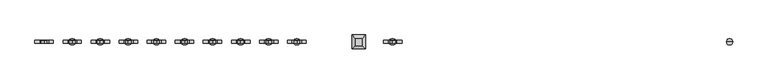
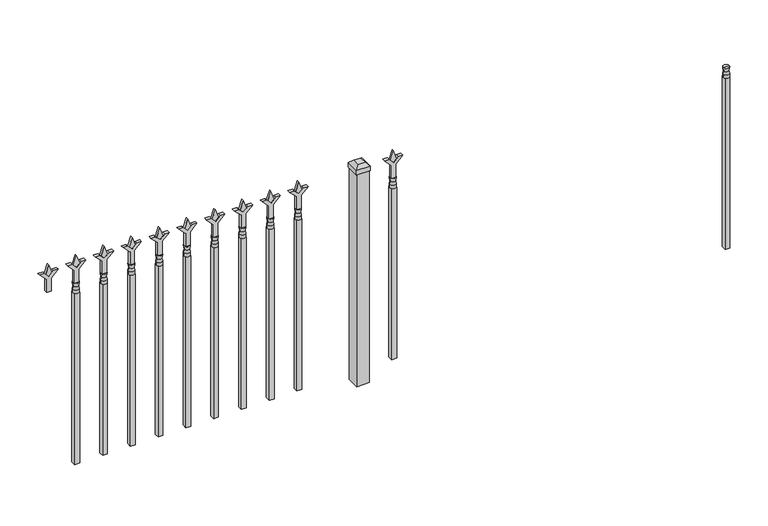
"""IFC4 building model written with IfcOpenShell, lengths in millimetres: railing geometry."""

from ifc_helpers import new_model, si_unit, frame, origin, origin_with_axes, place, context, project, spatial, polyline, circle_curve, outline, extrude, faceted_brep, source, transform, mapped, element, save
from ifc_brep_helpers import plane_surface, cylinder_surface, revolved_surface, advanced_brep


def railing_7fa76249(model_context):
    return source(origin(), model_context, "Body", "SolidModel", [
        advanced_brep(
        [(-88770.174337, -6731.2570174, 774.7), (-88793.986837, -6731.2570174, 774.7), (-88793.986837, -6731.2570174, 762.0), (-88770.174337, -6731.2570174, 762.0), (-88772.3796688, -6731.2570174, 787.2070585), (-88791.7815051, -6731.2570174, 787.2070585), (-88770.174337, -6731.2570174, 803.275), (-88793.986837, -6731.2570174, 803.275), (-88782.080587, -6731.2570174, 803.275), (-88782.080587, -6731.2570174, 762.0)],
        [
            (0, 1, circle_curve(frame((-88782.080587, -6731.2570174, 774.7), z_axis=(0.0, 0.0, -1.0), x_axis=(-1.0, 0.0, 0.0)), 11.90625)),
            (1, 2),
            (2, 3, circle_curve(frame((-88782.080587, -6731.2570174, 762.0), z_axis=(0.0, 0.0, 1.0), x_axis=(-1.0, 0.0, 0.0)), 11.90625)),
            (3, 0),
            (1, 0, circle_curve(frame((-88782.080587, -6731.2570174, 774.7), z_axis=(0.0, 0.0, -1.0), x_axis=(-1.0, 0.0, 0.0)), 11.90625)),
            (3, 2, circle_curve(frame((-88782.080587, -6731.2570174, 762.0), z_axis=(0.0, 0.0, 1.0), x_axis=(-1.0, 0.0, 0.0)), 11.90625)),
            (4, 5, circle_curve(frame((-88782.080587, -6731.2570174, 787.2070585), z_axis=(0.0, 0.0, -1.0), x_axis=(-1.0, 0.0, 0.0)), 9.7009181)),
            (5, 1),
            (0, 4),
            (5, 4, circle_curve(frame((-88782.080587, -6731.2570174, 787.2070585), z_axis=(0.0, 0.0, -1.0), x_axis=(-1.0, 0.0, 0.0)), 9.7009181)),
            (6, 7, circle_curve(frame((-88782.080587, -6731.2570174, 803.275), z_axis=(0.0, 0.0, -1.0), x_axis=(-1.0, 0.0, 0.0)), 11.90625)),
            (7, 5),
            (4, 6),
            (7, 6, circle_curve(frame((-88782.080587, -6731.2570174, 803.275), z_axis=(0.0, 0.0, -1.0), x_axis=(-1.0, 0.0, 0.0)), 11.90625)),
            (8, 7),
            (6, 8),
            (2, 9),
            (9, 3),
        ],
        [
            cylinder_surface(frame((-88782.080587, -6731.2570174, 762.0), z_axis=(0.0, 0.0, 1.0), x_axis=(-1.0, 0.0, 0.0)), 11.90625),
            revolved_surface(polyline([(-88793.986837, -6731.2570174, 774.7), (-88791.7815051, -6731.2570174, 787.2070585)]), (-88782.080587, -6731.2570174, 762.0), (0.0, 0.0, 1.0)),
            revolved_surface(polyline([(-88791.7815051, -6731.2570174, 787.2070585), (-88793.986837, -6731.2570174, 803.275)]), (-88782.080587, -6731.2570174, 762.0), (0.0, 0.0, 1.0)),
            plane_surface(frame((-88782.080587, -6731.2570174, 803.275), z_axis=(0.0, 0.0, 1.0), x_axis=(-1.0, 0.0, 0.0))),
            plane_surface(frame((-88782.080587, -6731.2570174, 762.0), z_axis=(0.0, 0.0, -1.0), x_axis=(-1.0, 0.0, 0.0))),
        ],
        [
            (0, [[1, 2, 3, 4]]),
            (0, [[5, -4, 6, -2]]),
            (1, [[7, 8, -1, 9]]),
            (1, [[10, -9, -5, -8]]),
            (2, [[11, 12, -7, 13]]),
            (2, [[14, -13, -10, -12]]),
            (3, [[15, -11, 16]]),
            (3, [[-16, -14, -15]]),
            (4, [[-3, 17, 18]]),
            (4, [[-6, -18, -17]]),
        ],
    ),
        extrude(outline(polyline([(-88791.605587, -6721.7320174), (-88772.555587, -6721.7320174), (-88772.555587, -6740.7820174), (-88791.605587, -6740.7820174), (-88791.605587, -6721.7320174)])), frame((0.0, 0.0, 50.8), z_axis=(0.0, 0.0, 1.0), x_axis=(1.0, 0.0, 0.0)), (0.0, 0.0, 1.0), 711.2),
        extrude(outline(polyline([(878.68125, -90081.449337), (914.4, -90093.355587), (878.68125, -90105.261837), (866.775, -90093.355587), (878.68125, -90081.449337)])), frame((0.0, -6736.0195174, 0.0), z_axis=(0.0, 1.0, 0.0), x_axis=(0.0, 0.0, 1.0)), (0.0, 0.0, 1.0), 9.525),
        extrude(outline(polyline([(803.275, -90084.624337), (857.5457378, -90084.624337), (884.7355122, -90057.4345625), (884.7355122, -90075.3950747), (866.775, -90093.355587), (884.7355122, -90111.3160992), (884.7355122, -90129.2766114), (857.5457378, -90102.086837), (803.275, -90102.086837), (803.275, -90084.624337)])), frame((0.0, -6737.6070174, 0.0), z_axis=(0.0, 1.0, 0.0), x_axis=(0.0, 0.0, 1.0)), (0.0, 0.0, 1.0), 12.7),
        advanced_brep(
        [(-90081.449337, -6731.2570174, 774.7), (-90105.261837, -6731.2570174, 774.7), (-90105.261837, -6731.2570174, 762.0), (-90081.449337, -6731.2570174, 762.0), (-90083.6546688, -6731.2570174, 787.2070585), (-90103.0565051, -6731.2570174, 787.2070585), (-90081.449337, -6731.2570174, 803.275), (-90105.261837, -6731.2570174, 803.275), (-90093.355587, -6731.2570174, 803.275), (-90093.355587, -6731.2570174, 762.0)],
        [
            (0, 1, circle_curve(frame((-90093.355587, -6731.2570174, 774.7), z_axis=(0.0, 0.0, -1.0), x_axis=(-1.0, 0.0, 0.0)), 11.90625)),
            (1, 2),
            (2, 3, circle_curve(frame((-90093.355587, -6731.2570174, 762.0), z_axis=(0.0, 0.0, 1.0), x_axis=(-1.0, 0.0, 0.0)), 11.90625)),
            (3, 0),
            (1, 0, circle_curve(frame((-90093.355587, -6731.2570174, 774.7), z_axis=(0.0, 0.0, -1.0), x_axis=(-1.0, 0.0, 0.0)), 11.90625)),
            (3, 2, circle_curve(frame((-90093.355587, -6731.2570174, 762.0), z_axis=(0.0, 0.0, 1.0), x_axis=(-1.0, 0.0, 0.0)), 11.90625)),
            (4, 5, circle_curve(frame((-90093.355587, -6731.2570174, 787.2070585), z_axis=(0.0, 0.0, -1.0), x_axis=(-1.0, 0.0, 0.0)), 9.7009181)),
            (5, 1),
            (0, 4),
            (5, 4, circle_curve(frame((-90093.355587, -6731.2570174, 787.2070585), z_axis=(0.0, 0.0, -1.0), x_axis=(-1.0, 0.0, 0.0)), 9.7009181)),
            (6, 7, circle_curve(frame((-90093.355587, -6731.2570174, 803.275), z_axis=(0.0, 0.0, -1.0), x_axis=(-1.0, 0.0, 0.0)), 11.90625)),
            (7, 5),
            (4, 6),
            (7, 6, circle_curve(frame((-90093.355587, -6731.2570174, 803.275), z_axis=(0.0, 0.0, -1.0), x_axis=(-1.0, 0.0, 0.0)), 11.90625)),
            (8, 7),
            (6, 8),
            (2, 9),
            (9, 3),
        ],
        [
            cylinder_surface(frame((-90093.355587, -6731.2570174, 762.0), z_axis=(0.0, 0.0, 1.0), x_axis=(-1.0, 0.0, 0.0)), 11.90625),
            revolved_surface(polyline([(-90105.261837, -6731.2570174, 774.7), (-90103.0565051, -6731.2570174, 787.2070585)]), (-90093.355587, -6731.2570174, 762.0), (0.0, 0.0, 1.0)),
            revolved_surface(polyline([(-90103.0565051, -6731.2570174, 787.2070585), (-90105.261837, -6731.2570174, 803.275)]), (-90093.355587, -6731.2570174, 762.0), (0.0, 0.0, 1.0)),
            plane_surface(frame((-90093.355587, -6731.2570174, 803.275), z_axis=(0.0, 0.0, 1.0), x_axis=(-1.0, 0.0, 0.0))),
            plane_surface(frame((-90093.355587, -6731.2570174, 762.0), z_axis=(0.0, 0.0, -1.0), x_axis=(-1.0, 0.0, 0.0))),
        ],
        [
            (0, [[1, 2, 3, 4]]),
            (0, [[5, -4, 6, -2]]),
            (1, [[7, 8, -1, 9]]),
            (1, [[10, -9, -5, -8]]),
            (2, [[11, 12, -7, 13]]),
            (2, [[14, -13, -10, -12]]),
            (3, [[15, -11, 16]]),
            (3, [[-16, -14, -15]]),
            (4, [[-3, 17, 18]]),
            (4, [[-6, -18, -17]]),
        ],
    ),
        extrude(outline(polyline([(-90102.880587, -6721.7320174), (-90083.830587, -6721.7320174), (-90083.830587, -6740.7820174), (-90102.880587, -6740.7820174), (-90102.880587, -6721.7320174)])), frame((0.0, 0.0, 50.8), z_axis=(0.0, 0.0, 1.0), x_axis=(1.0, 0.0, 0.0)), (0.0, 0.0, 1.0), 711.2),
        faceted_brep([(-90252.105587, -6704.2695174, 901.7), (-90252.105587, -6704.2695174, 882.65), (-90252.105587, -6758.2445174, 882.65), (-90252.105587, -6758.2445174, 901.7), (-90239.405587, -6716.9695174, 914.4), (-90239.405587, -6745.5445174, 914.4), (-90198.130587, -6758.2445174, 882.65), (-90198.130587, -6758.2445174, 901.7), (-90210.830587, -6745.5445174, 914.4), (-90198.130587, -6704.2695174, 882.65), (-90198.130587, -6704.2695174, 901.7), (-90210.830587, -6716.9695174, 914.4)], [[[0, 1, 2, 3]], [[4, 0, 3, 5]], [[3, 2, 6, 7]], [[5, 3, 7, 8]], [[7, 6, 9, 10]], [[8, 7, 10, 11]], [[10, 9, 1, 0]], [[11, 10, 0, 4]], [[5, 8, 11, 4]], [[1, 9, 6, 2]]]),
        extrude(outline(polyline([(-90199.718087, -6705.8570174), (-90199.718087, -6756.6570174), (-90250.518087, -6756.6570174), (-90250.518087, -6705.8570174), (-90199.718087, -6705.8570174)])), origin_with_axes(), (0.0, 0.0, 1.0), 882.65),
        extrude(outline(polyline([(878.68125, -90454.2472536), (914.4, -90466.1535036), (878.68125, -90478.0597536), (866.775, -90466.1535036), (878.68125, -90454.2472536)])), frame((0.0, -6736.0195174, 0.0), z_axis=(0.0, 1.0, 0.0), x_axis=(0.0, 0.0, 1.0)), (0.0, 0.0, 1.0), 9.525),
        extrude(outline(polyline([(803.275, -90457.4222536), (857.5457378, -90457.4222536), (884.7355122, -90430.2324791), (884.7355122, -90448.1929914), (866.775, -90466.1535036), (884.7355122, -90484.1140159), (884.7355122, -90502.0745281), (857.5457378, -90474.8847536), (803.275, -90474.8847536), (803.275, -90457.4222536)])), frame((0.0, -6737.6070174, 0.0), z_axis=(0.0, 1.0, 0.0), x_axis=(0.0, 0.0, 1.0)), (0.0, 0.0, 1.0), 12.7),
        advanced_brep(
        [(-90454.2472536, -6731.2570174, 774.7), (-90478.0597536, -6731.2570174, 774.7), (-90478.0597536, -6731.2570174, 762.0), (-90454.2472536, -6731.2570174, 762.0), (-90456.4525855, -6731.2570174, 787.2070585), (-90475.8544218, -6731.2570174, 787.2070585), (-90454.2472536, -6731.2570174, 803.275), (-90478.0597536, -6731.2570174, 803.275), (-90466.1535036, -6731.2570174, 803.275), (-90466.1535036, -6731.2570174, 762.0)],
        [
            (0, 1, circle_curve(frame((-90466.1535036, -6731.2570174, 774.7), z_axis=(0.0, 0.0, -1.0), x_axis=(-1.0, 0.0, 0.0)), 11.90625)),
            (1, 2),
            (2, 3, circle_curve(frame((-90466.1535036, -6731.2570174, 762.0), z_axis=(0.0, 0.0, 1.0), x_axis=(-1.0, 0.0, 0.0)), 11.90625)),
            (3, 0),
            (1, 0, circle_curve(frame((-90466.1535036, -6731.2570174, 774.7), z_axis=(0.0, 0.0, -1.0), x_axis=(-1.0, 0.0, 0.0)), 11.90625)),
            (3, 2, circle_curve(frame((-90466.1535036, -6731.2570174, 762.0), z_axis=(0.0, 0.0, 1.0), x_axis=(-1.0, 0.0, 0.0)), 11.90625)),
            (4, 5, circle_curve(frame((-90466.1535036, -6731.2570174, 787.2070585), z_axis=(0.0, 0.0, -1.0), x_axis=(-1.0, 0.0, 0.0)), 9.7009181)),
            (5, 1),
            (0, 4),
            (5, 4, circle_curve(frame((-90466.1535036, -6731.2570174, 787.2070585), z_axis=(0.0, 0.0, -1.0), x_axis=(-1.0, 0.0, 0.0)), 9.7009181)),
            (6, 7, circle_curve(frame((-90466.1535036, -6731.2570174, 803.275), z_axis=(0.0, 0.0, -1.0), x_axis=(-1.0, 0.0, 0.0)), 11.90625)),
            (7, 5),
            (4, 6),
            (7, 6, circle_curve(frame((-90466.1535036, -6731.2570174, 803.275), z_axis=(0.0, 0.0, -1.0), x_axis=(-1.0, 0.0, 0.0)), 11.90625)),
            (8, 7),
            (6, 8),
            (2, 9),
            (9, 3),
        ],
        [
            cylinder_surface(frame((-90466.1535036, -6731.2570174, 762.0), z_axis=(0.0, 0.0, 1.0), x_axis=(-1.0, 0.0, 0.0)), 11.90625),
            revolved_surface(polyline([(-90478.0597536, -6731.2570174, 774.7), (-90475.8544218, -6731.2570174, 787.2070585)]), (-90466.1535036, -6731.2570174, 762.0), (0.0, 0.0, 1.0)),
            revolved_surface(polyline([(-90475.8544218, -6731.2570174, 787.2070585), (-90478.0597536, -6731.2570174, 803.275)]), (-90466.1535036, -6731.2570174, 762.0), (0.0, 0.0, 1.0)),
            plane_surface(frame((-90466.1535036, -6731.2570174, 803.275), z_axis=(0.0, 0.0, 1.0), x_axis=(-1.0, 0.0, 0.0))),
            plane_surface(frame((-90466.1535036, -6731.2570174, 762.0), z_axis=(0.0, 0.0, -1.0), x_axis=(-1.0, 0.0, 0.0))),
        ],
        [
            (0, [[1, 2, 3, 4]]),
            (0, [[5, -4, 6, -2]]),
            (1, [[7, 8, -1, 9]]),
            (1, [[10, -9, -5, -8]]),
            (2, [[11, 12, -7, 13]]),
            (2, [[14, -13, -10, -12]]),
            (3, [[15, -11, 16]]),
            (3, [[-16, -14, -15]]),
            (4, [[-3, 17, 18]]),
            (4, [[-6, -18, -17]]),
        ],
    ),
        extrude(outline(polyline([(-90475.6785036, -6721.7320174), (-90456.6285036, -6721.7320174), (-90456.6285036, -6740.7820174), (-90475.6785036, -6740.7820174), (-90475.6785036, -6721.7320174)])), frame((0.0, 0.0, 50.8), z_axis=(0.0, 0.0, 1.0), x_axis=(1.0, 0.0, 0.0)), (0.0, 0.0, 1.0), 711.2),
        extrude(outline(polyline([(878.68125, -90563.5201703), (914.4, -90575.4264203), (878.68125, -90587.3326703), (866.775, -90575.4264203), (878.68125, -90563.5201703)])), frame((0.0, -6736.0195174, 0.0), z_axis=(0.0, 1.0, 0.0), x_axis=(0.0, 0.0, 1.0)), (0.0, 0.0, 1.0), 9.525),
        extrude(outline(polyline([(803.275, -90566.6951703), (857.5457378, -90566.6951703), (884.7355122, -90539.5053958), (884.7355122, -90557.4659081), (866.775, -90575.4264203), (884.7355122, -90593.3869325), (884.7355122, -90611.3474448), (857.5457378, -90584.1576703), (803.275, -90584.1576703), (803.275, -90566.6951703)])), frame((0.0, -6737.6070174, 0.0), z_axis=(0.0, 1.0, 0.0), x_axis=(0.0, 0.0, 1.0)), (0.0, 0.0, 1.0), 12.7),
        advanced_brep(
        [(-90563.5201703, -6731.2570174, 774.7), (-90587.3326703, -6731.2570174, 774.7), (-90587.3326703, -6731.2570174, 762.0), (-90563.5201703, -6731.2570174, 762.0), (-90565.7255022, -6731.2570174, 787.2070585), (-90585.1273384, -6731.2570174, 787.2070585), (-90563.5201703, -6731.2570174, 803.275), (-90587.3326703, -6731.2570174, 803.275), (-90575.4264203, -6731.2570174, 803.275), (-90575.4264203, -6731.2570174, 762.0)],
        [
            (0, 1, circle_curve(frame((-90575.4264203, -6731.2570174, 774.7), z_axis=(0.0, 0.0, -1.0), x_axis=(-1.0, 0.0, 0.0)), 11.90625)),
            (1, 2),
            (2, 3, circle_curve(frame((-90575.4264203, -6731.2570174, 762.0), z_axis=(0.0, 0.0, 1.0), x_axis=(-1.0, 0.0, 0.0)), 11.90625)),
            (3, 0),
            (1, 0, circle_curve(frame((-90575.4264203, -6731.2570174, 774.7), z_axis=(0.0, 0.0, -1.0), x_axis=(-1.0, 0.0, 0.0)), 11.90625)),
            (3, 2, circle_curve(frame((-90575.4264203, -6731.2570174, 762.0), z_axis=(0.0, 0.0, 1.0), x_axis=(-1.0, 0.0, 0.0)), 11.90625)),
            (4, 5, circle_curve(frame((-90575.4264203, -6731.2570174, 787.2070585), z_axis=(0.0, 0.0, -1.0), x_axis=(-1.0, 0.0, 0.0)), 9.7009181)),
            (5, 1),
            (0, 4),
            (5, 4, circle_curve(frame((-90575.4264203, -6731.2570174, 787.2070585), z_axis=(0.0, 0.0, -1.0), x_axis=(-1.0, 0.0, 0.0)), 9.7009181)),
            (6, 7, circle_curve(frame((-90575.4264203, -6731.2570174, 803.275), z_axis=(0.0, 0.0, -1.0), x_axis=(-1.0, 0.0, 0.0)), 11.90625)),
            (7, 5),
            (4, 6),
            (7, 6, circle_curve(frame((-90575.4264203, -6731.2570174, 803.275), z_axis=(0.0, 0.0, -1.0), x_axis=(-1.0, 0.0, 0.0)), 11.90625)),
            (8, 7),
            (6, 8),
            (2, 9),
            (9, 3),
        ],
        [
            cylinder_surface(frame((-90575.4264203, -6731.2570174, 762.0), z_axis=(0.0, 0.0, 1.0), x_axis=(-1.0, 0.0, 0.0)), 11.90625),
            revolved_surface(polyline([(-90587.3326703, -6731.2570174, 774.7), (-90585.1273384, -6731.2570174, 787.2070585)]), (-90575.4264203, -6731.2570174, 762.0), (0.0, 0.0, 1.0)),
            revolved_surface(polyline([(-90585.1273384, -6731.2570174, 787.2070585), (-90587.3326703, -6731.2570174, 803.275)]), (-90575.4264203, -6731.2570174, 762.0), (0.0, 0.0, 1.0)),
            plane_surface(frame((-90575.4264203, -6731.2570174, 803.275), z_axis=(0.0, 0.0, 1.0), x_axis=(-1.0, 0.0, 0.0))),
            plane_surface(frame((-90575.4264203, -6731.2570174, 762.0), z_axis=(0.0, 0.0, -1.0), x_axis=(-1.0, 0.0, 0.0))),
        ],
        [
            (0, [[1, 2, 3, 4]]),
            (0, [[5, -4, 6, -2]]),
            (1, [[7, 8, -1, 9]]),
            (1, [[10, -9, -5, -8]]),
            (2, [[11, 12, -7, 13]]),
            (2, [[14, -13, -10, -12]]),
            (3, [[15, -11, 16]]),
            (3, [[-16, -14, -15]]),
            (4, [[-3, 17, 18]]),
            (4, [[-6, -18, -17]]),
        ],
    ),
        extrude(outline(polyline([(-90584.9514203, -6721.7320174), (-90565.9014203, -6721.7320174), (-90565.9014203, -6740.7820174), (-90584.9514203, -6740.7820174), (-90584.9514203, -6721.7320174)])), frame((0.0, 0.0, 50.8), z_axis=(0.0, 0.0, 1.0), x_axis=(1.0, 0.0, 0.0)), (0.0, 0.0, 1.0), 711.2),
        extrude(outline(polyline([(878.68125, -90672.793087), (914.4, -90684.699337), (878.68125, -90696.605587), (866.775, -90684.699337), (878.68125, -90672.793087)])), frame((0.0, -6736.0195174, 0.0), z_axis=(0.0, 1.0, 0.0), x_axis=(0.0, 0.0, 1.0)), (0.0, 0.0, 1.0), 9.525),
        extrude(outline(polyline([(803.275, -90675.968087), (857.5457378, -90675.968087), (884.7355122, -90648.7783125), (884.7355122, -90666.7388247), (866.775, -90684.699337), (884.7355122, -90702.6598492), (884.7355122, -90720.6203614), (857.5457378, -90693.430587), (803.275, -90693.430587), (803.275, -90675.968087)])), frame((0.0, -6737.6070174, 0.0), z_axis=(0.0, 1.0, 0.0), x_axis=(0.0, 0.0, 1.0)), (0.0, 0.0, 1.0), 12.7),
        advanced_brep(
        [(-90672.793087, -6731.2570174, 774.7), (-90696.605587, -6731.2570174, 774.7), (-90696.605587, -6731.2570174, 762.0), (-90672.793087, -6731.2570174, 762.0), (-90674.9984188, -6731.2570174, 787.2070585), (-90694.4002551, -6731.2570174, 787.2070585), (-90672.793087, -6731.2570174, 803.275), (-90696.605587, -6731.2570174, 803.275), (-90684.699337, -6731.2570174, 803.275), (-90684.699337, -6731.2570174, 762.0)],
        [
            (0, 1, circle_curve(frame((-90684.699337, -6731.2570174, 774.7), z_axis=(0.0, 0.0, -1.0), x_axis=(-1.0, 0.0, 0.0)), 11.90625)),
            (1, 2),
            (2, 3, circle_curve(frame((-90684.699337, -6731.2570174, 762.0), z_axis=(0.0, 0.0, 1.0), x_axis=(-1.0, 0.0, 0.0)), 11.90625)),
            (3, 0),
            (1, 0, circle_curve(frame((-90684.699337, -6731.2570174, 774.7), z_axis=(0.0, 0.0, -1.0), x_axis=(-1.0, 0.0, 0.0)), 11.90625)),
            (3, 2, circle_curve(frame((-90684.699337, -6731.2570174, 762.0), z_axis=(0.0, 0.0, 1.0), x_axis=(-1.0, 0.0, 0.0)), 11.90625)),
            (4, 5, circle_curve(frame((-90684.699337, -6731.2570174, 787.2070585), z_axis=(0.0, 0.0, -1.0), x_axis=(-1.0, 0.0, 0.0)), 9.7009181)),
            (5, 1),
            (0, 4),
            (5, 4, circle_curve(frame((-90684.699337, -6731.2570174, 787.2070585), z_axis=(0.0, 0.0, -1.0), x_axis=(-1.0, 0.0, 0.0)), 9.7009181)),
            (6, 7, circle_curve(frame((-90684.699337, -6731.2570174, 803.275), z_axis=(0.0, 0.0, -1.0), x_axis=(-1.0, 0.0, 0.0)), 11.90625)),
            (7, 5),
            (4, 6),
            (7, 6, circle_curve(frame((-90684.699337, -6731.2570174, 803.275), z_axis=(0.0, 0.0, -1.0), x_axis=(-1.0, 0.0, 0.0)), 11.90625)),
            (8, 7),
            (6, 8),
            (2, 9),
            (9, 3),
        ],
        [
            cylinder_surface(frame((-90684.699337, -6731.2570174, 762.0), z_axis=(0.0, 0.0, 1.0), x_axis=(-1.0, 0.0, 0.0)), 11.90625),
            revolved_surface(polyline([(-90696.605587, -6731.2570174, 774.7), (-90694.4002551, -6731.2570174, 787.2070585)]), (-90684.699337, -6731.2570174, 762.0), (0.0, 0.0, 1.0)),
            revolved_surface(polyline([(-90694.4002551, -6731.2570174, 787.2070585), (-90696.605587, -6731.2570174, 803.275)]), (-90684.699337, -6731.2570174, 762.0), (0.0, 0.0, 1.0)),
            plane_surface(frame((-90684.699337, -6731.2570174, 803.275), z_axis=(0.0, 0.0, 1.0), x_axis=(-1.0, 0.0, 0.0))),
            plane_surface(frame((-90684.699337, -6731.2570174, 762.0), z_axis=(0.0, 0.0, -1.0), x_axis=(-1.0, 0.0, 0.0))),
        ],
        [
            (0, [[1, 2, 3, 4]]),
            (0, [[5, -4, 6, -2]]),
            (1, [[7, 8, -1, 9]]),
            (1, [[10, -9, -5, -8]]),
            (2, [[11, 12, -7, 13]]),
            (2, [[14, -13, -10, -12]]),
            (3, [[15, -11, 16]]),
            (3, [[-16, -14, -15]]),
            (4, [[-3, 17, 18]]),
            (4, [[-6, -18, -17]]),
        ],
    ),
        extrude(outline(polyline([(-90694.224337, -6721.7320174), (-90675.174337, -6721.7320174), (-90675.174337, -6740.7820174), (-90694.224337, -6740.7820174), (-90694.224337, -6721.7320174)])), frame((0.0, 0.0, 50.8), z_axis=(0.0, 0.0, 1.0), x_axis=(1.0, 0.0, 0.0)), (0.0, 0.0, 1.0), 711.2),
        extrude(outline(polyline([(878.68125, -90782.0660036), (914.4, -90793.9722536), (878.68125, -90805.8785036), (866.775, -90793.9722536), (878.68125, -90782.0660036)])), frame((0.0, -6736.0195174, 0.0), z_axis=(0.0, 1.0, 0.0), x_axis=(0.0, 0.0, 1.0)), (0.0, 0.0, 1.0), 9.525),
        extrude(outline(polyline([(803.275, -90785.2410036), (857.5457378, -90785.2410036), (884.7355122, -90758.0512291), (884.7355122, -90776.0117414), (866.775, -90793.9722536), (884.7355122, -90811.9327659), (884.7355122, -90829.8932781), (857.5457378, -90802.7035036), (803.275, -90802.7035036), (803.275, -90785.2410036)])), frame((0.0, -6737.6070174, 0.0), z_axis=(0.0, 1.0, 0.0), x_axis=(0.0, 0.0, 1.0)), (0.0, 0.0, 1.0), 12.7),
        advanced_brep(
        [(-90782.0660036, -6731.2570174, 774.7), (-90805.8785036, -6731.2570174, 774.7), (-90805.8785036, -6731.2570174, 762.0), (-90782.0660036, -6731.2570174, 762.0), (-90784.2713355, -6731.2570174, 787.2070585), (-90803.6731718, -6731.2570174, 787.2070585), (-90782.0660036, -6731.2570174, 803.275), (-90805.8785036, -6731.2570174, 803.275), (-90793.9722536, -6731.2570174, 803.275), (-90793.9722536, -6731.2570174, 762.0)],
        [
            (0, 1, circle_curve(frame((-90793.9722536, -6731.2570174, 774.7), z_axis=(0.0, 0.0, -1.0), x_axis=(-1.0, 0.0, 0.0)), 11.90625)),
            (1, 2),
            (2, 3, circle_curve(frame((-90793.9722536, -6731.2570174, 762.0), z_axis=(0.0, 0.0, 1.0), x_axis=(-1.0, 0.0, 0.0)), 11.90625)),
            (3, 0),
            (1, 0, circle_curve(frame((-90793.9722536, -6731.2570174, 774.7), z_axis=(0.0, 0.0, -1.0), x_axis=(-1.0, 0.0, 0.0)), 11.90625)),
            (3, 2, circle_curve(frame((-90793.9722536, -6731.2570174, 762.0), z_axis=(0.0, 0.0, 1.0), x_axis=(-1.0, 0.0, 0.0)), 11.90625)),
            (4, 5, circle_curve(frame((-90793.9722536, -6731.2570174, 787.2070585), z_axis=(0.0, 0.0, -1.0), x_axis=(-1.0, 0.0, 0.0)), 9.7009181)),
            (5, 1),
            (0, 4),
            (5, 4, circle_curve(frame((-90793.9722536, -6731.2570174, 787.2070585), z_axis=(0.0, 0.0, -1.0), x_axis=(-1.0, 0.0, 0.0)), 9.7009181)),
            (6, 7, circle_curve(frame((-90793.9722536, -6731.2570174, 803.275), z_axis=(0.0, 0.0, -1.0), x_axis=(-1.0, 0.0, 0.0)), 11.90625)),
            (7, 5),
            (4, 6),
            (7, 6, circle_curve(frame((-90793.9722536, -6731.2570174, 803.275), z_axis=(0.0, 0.0, -1.0), x_axis=(-1.0, 0.0, 0.0)), 11.90625)),
            (8, 7),
            (6, 8),
            (2, 9),
            (9, 3),
        ],
        [
            cylinder_surface(frame((-90793.9722536, -6731.2570174, 762.0), z_axis=(0.0, 0.0, 1.0), x_axis=(-1.0, 0.0, 0.0)), 11.90625),
            revolved_surface(polyline([(-90805.8785036, -6731.2570174, 774.7), (-90803.6731718, -6731.2570174, 787.2070585)]), (-90793.9722536, -6731.2570174, 762.0), (0.0, 0.0, 1.0)),
            revolved_surface(polyline([(-90803.6731718, -6731.2570174, 787.2070585), (-90805.8785036, -6731.2570174, 803.275)]), (-90793.9722536, -6731.2570174, 762.0), (0.0, 0.0, 1.0)),
            plane_surface(frame((-90793.9722536, -6731.2570174, 803.275), z_axis=(0.0, 0.0, 1.0), x_axis=(-1.0, 0.0, 0.0))),
            plane_surface(frame((-90793.9722536, -6731.2570174, 762.0), z_axis=(0.0, 0.0, -1.0), x_axis=(-1.0, 0.0, 0.0))),
        ],
        [
            (0, [[1, 2, 3, 4]]),
            (0, [[5, -4, 6, -2]]),
            (1, [[7, 8, -1, 9]]),
            (1, [[10, -9, -5, -8]]),
            (2, [[11, 12, -7, 13]]),
            (2, [[14, -13, -10, -12]]),
            (3, [[15, -11, 16]]),
            (3, [[-16, -14, -15]]),
            (4, [[-3, 17, 18]]),
            (4, [[-6, -18, -17]]),
        ],
    ),
        extrude(outline(polyline([(-90803.4972536, -6721.7320174), (-90784.4472536, -6721.7320174), (-90784.4472536, -6740.7820174), (-90803.4972536, -6740.7820174), (-90803.4972536, -6721.7320174)])), frame((0.0, 0.0, 50.8), z_axis=(0.0, 0.0, 1.0), x_axis=(1.0, 0.0, 0.0)), (0.0, 0.0, 1.0), 711.2),
        extrude(outline(polyline([(878.68125, -90891.3389203), (914.4, -90903.2451703), (878.68125, -90915.1514203), (866.775, -90903.2451703), (878.68125, -90891.3389203)])), frame((0.0, -6736.0195174, 0.0), z_axis=(0.0, 1.0, 0.0), x_axis=(0.0, 0.0, 1.0)), (0.0, 0.0, 1.0), 9.525),
        extrude(outline(polyline([(803.275, -90894.5139203), (857.5457378, -90894.5139203), (884.7355122, -90867.3241458), (884.7355122, -90885.2846581), (866.775, -90903.2451703), (884.7355122, -90921.2056825), (884.7355122, -90939.1661948), (857.5457378, -90911.9764203), (803.275, -90911.9764203), (803.275, -90894.5139203)])), frame((0.0, -6737.6070174, 0.0), z_axis=(0.0, 1.0, 0.0), x_axis=(0.0, 0.0, 1.0)), (0.0, 0.0, 1.0), 12.7),
        advanced_brep(
        [(-90891.3389203, -6731.2570174, 774.7), (-90915.1514203, -6731.2570174, 774.7), (-90915.1514203, -6731.2570174, 762.0), (-90891.3389203, -6731.2570174, 762.0), (-90893.5442522, -6731.2570174, 787.2070585), (-90912.9460884, -6731.2570174, 787.2070585), (-90891.3389203, -6731.2570174, 803.275), (-90915.1514203, -6731.2570174, 803.275), (-90903.2451703, -6731.2570174, 803.275), (-90903.2451703, -6731.2570174, 762.0)],
        [
            (0, 1, circle_curve(frame((-90903.2451703, -6731.2570174, 774.7), z_axis=(0.0, 0.0, -1.0), x_axis=(-1.0, 0.0, 0.0)), 11.90625)),
            (1, 2),
            (2, 3, circle_curve(frame((-90903.2451703, -6731.2570174, 762.0), z_axis=(0.0, 0.0, 1.0), x_axis=(-1.0, 0.0, 0.0)), 11.90625)),
            (3, 0),
            (1, 0, circle_curve(frame((-90903.2451703, -6731.2570174, 774.7), z_axis=(0.0, 0.0, -1.0), x_axis=(-1.0, 0.0, 0.0)), 11.90625)),
            (3, 2, circle_curve(frame((-90903.2451703, -6731.2570174, 762.0), z_axis=(0.0, 0.0, 1.0), x_axis=(-1.0, 0.0, 0.0)), 11.90625)),
            (4, 5, circle_curve(frame((-90903.2451703, -6731.2570174, 787.2070585), z_axis=(0.0, 0.0, -1.0), x_axis=(-1.0, 0.0, 0.0)), 9.7009181)),
            (5, 1),
            (0, 4),
            (5, 4, circle_curve(frame((-90903.2451703, -6731.2570174, 787.2070585), z_axis=(0.0, 0.0, -1.0), x_axis=(-1.0, 0.0, 0.0)), 9.7009181)),
            (6, 7, circle_curve(frame((-90903.2451703, -6731.2570174, 803.275), z_axis=(0.0, 0.0, -1.0), x_axis=(-1.0, 0.0, 0.0)), 11.90625)),
            (7, 5),
            (4, 6),
            (7, 6, circle_curve(frame((-90903.2451703, -6731.2570174, 803.275), z_axis=(0.0, 0.0, -1.0), x_axis=(-1.0, 0.0, 0.0)), 11.90625)),
            (8, 7),
            (6, 8),
            (2, 9),
            (9, 3),
        ],
        [
            cylinder_surface(frame((-90903.2451703, -6731.2570174, 762.0), z_axis=(0.0, 0.0, 1.0), x_axis=(-1.0, 0.0, 0.0)), 11.90625),
            revolved_surface(polyline([(-90915.1514203, -6731.2570174, 774.7), (-90912.9460884, -6731.2570174, 787.2070585)]), (-90903.2451703, -6731.2570174, 762.0), (0.0, 0.0, 1.0)),
            revolved_surface(polyline([(-90912.9460884, -6731.2570174, 787.2070585), (-90915.1514203, -6731.2570174, 803.275)]), (-90903.2451703, -6731.2570174, 762.0), (0.0, 0.0, 1.0)),
            plane_surface(frame((-90903.2451703, -6731.2570174, 803.275), z_axis=(0.0, 0.0, 1.0), x_axis=(-1.0, 0.0, 0.0))),
            plane_surface(frame((-90903.2451703, -6731.2570174, 762.0), z_axis=(0.0, 0.0, -1.0), x_axis=(-1.0, 0.0, 0.0))),
        ],
        [
            (0, [[1, 2, 3, 4]]),
            (0, [[5, -4, 6, -2]]),
            (1, [[7, 8, -1, 9]]),
            (1, [[10, -9, -5, -8]]),
            (2, [[11, 12, -7, 13]]),
            (2, [[14, -13, -10, -12]]),
            (3, [[15, -11, 16]]),
            (3, [[-16, -14, -15]]),
            (4, [[-3, 17, 18]]),
            (4, [[-6, -18, -17]]),
        ],
    ),
        extrude(outline(polyline([(-90912.7701703, -6721.7320174), (-90893.7201703, -6721.7320174), (-90893.7201703, -6740.7820174), (-90912.7701703, -6740.7820174), (-90912.7701703, -6721.7320174)])), frame((0.0, 0.0, 50.8), z_axis=(0.0, 0.0, 1.0), x_axis=(1.0, 0.0, 0.0)), (0.0, 0.0, 1.0), 711.2),
        extrude(outline(polyline([(878.68125, -91000.611837), (914.4, -91012.518087), (878.68125, -91024.424337), (866.775, -91012.518087), (878.68125, -91000.611837)])), frame((0.0, -6736.0195174, 0.0), z_axis=(0.0, 1.0, 0.0), x_axis=(0.0, 0.0, 1.0)), (0.0, 0.0, 1.0), 9.525),
        extrude(outline(polyline([(803.275, -91003.786837), (857.5457378, -91003.786837), (884.7355122, -90976.5970625), (884.7355122, -90994.5575747), (866.775, -91012.518087), (884.7355122, -91030.4785992), (884.7355122, -91048.4391114), (857.5457378, -91021.249337), (803.275, -91021.249337), (803.275, -91003.786837)])), frame((0.0, -6737.6070174, 0.0), z_axis=(0.0, 1.0, 0.0), x_axis=(0.0, 0.0, 1.0)), (0.0, 0.0, 1.0), 12.7),
        advanced_brep(
        [(-91000.611837, -6731.2570174, 774.7), (-91024.424337, -6731.2570174, 774.7), (-91024.424337, -6731.2570174, 762.0), (-91000.611837, -6731.2570174, 762.0), (-91002.8171688, -6731.2570174, 787.2070585), (-91022.2190051, -6731.2570174, 787.2070585), (-91000.611837, -6731.2570174, 803.275), (-91024.424337, -6731.2570174, 803.275), (-91012.518087, -6731.2570174, 803.275), (-91012.518087, -6731.2570174, 762.0)],
        [
            (0, 1, circle_curve(frame((-91012.518087, -6731.2570174, 774.7), z_axis=(0.0, 0.0, -1.0), x_axis=(-1.0, 0.0, 0.0)), 11.90625)),
            (1, 2),
            (2, 3, circle_curve(frame((-91012.518087, -6731.2570174, 762.0), z_axis=(0.0, 0.0, 1.0), x_axis=(-1.0, 0.0, 0.0)), 11.90625)),
            (3, 0),
            (1, 0, circle_curve(frame((-91012.518087, -6731.2570174, 774.7), z_axis=(0.0, 0.0, -1.0), x_axis=(-1.0, 0.0, 0.0)), 11.90625)),
            (3, 2, circle_curve(frame((-91012.518087, -6731.2570174, 762.0), z_axis=(0.0, 0.0, 1.0), x_axis=(-1.0, 0.0, 0.0)), 11.90625)),
            (4, 5, circle_curve(frame((-91012.518087, -6731.2570174, 787.2070585), z_axis=(0.0, 0.0, -1.0), x_axis=(-1.0, 0.0, 0.0)), 9.7009181)),
            (5, 1),
            (0, 4),
            (5, 4, circle_curve(frame((-91012.518087, -6731.2570174, 787.2070585), z_axis=(0.0, 0.0, -1.0), x_axis=(-1.0, 0.0, 0.0)), 9.7009181)),
            (6, 7, circle_curve(frame((-91012.518087, -6731.2570174, 803.275), z_axis=(0.0, 0.0, -1.0), x_axis=(-1.0, 0.0, 0.0)), 11.90625)),
            (7, 5),
            (4, 6),
            (7, 6, circle_curve(frame((-91012.518087, -6731.2570174, 803.275), z_axis=(0.0, 0.0, -1.0), x_axis=(-1.0, 0.0, 0.0)), 11.90625)),
            (8, 7),
            (6, 8),
            (2, 9),
            (9, 3),
        ],
        [
            cylinder_surface(frame((-91012.518087, -6731.2570174, 762.0), z_axis=(0.0, 0.0, 1.0), x_axis=(-1.0, 0.0, 0.0)), 11.90625),
            revolved_surface(polyline([(-91024.424337, -6731.2570174, 774.7), (-91022.2190051, -6731.2570174, 787.2070585)]), (-91012.518087, -6731.2570174, 762.0), (0.0, 0.0, 1.0)),
            revolved_surface(polyline([(-91022.2190051, -6731.2570174, 787.2070585), (-91024.424337, -6731.2570174, 803.275)]), (-91012.518087, -6731.2570174, 762.0), (0.0, 0.0, 1.0)),
            plane_surface(frame((-91012.518087, -6731.2570174, 803.275), z_axis=(0.0, 0.0, 1.0), x_axis=(-1.0, 0.0, 0.0))),
            plane_surface(frame((-91012.518087, -6731.2570174, 762.0), z_axis=(0.0, 0.0, -1.0), x_axis=(-1.0, 0.0, 0.0))),
        ],
        [
            (0, [[1, 2, 3, 4]]),
            (0, [[5, -4, 6, -2]]),
            (1, [[7, 8, -1, 9]]),
            (1, [[10, -9, -5, -8]]),
            (2, [[11, 12, -7, 13]]),
            (2, [[14, -13, -10, -12]]),
            (3, [[15, -11, 16]]),
            (3, [[-16, -14, -15]]),
            (4, [[-3, 17, 18]]),
            (4, [[-6, -18, -17]]),
        ],
    ),
        extrude(outline(polyline([(-91022.043087, -6721.7320174), (-91002.993087, -6721.7320174), (-91002.993087, -6740.7820174), (-91022.043087, -6740.7820174), (-91022.043087, -6721.7320174)])), frame((0.0, 0.0, 50.8), z_axis=(0.0, 0.0, 1.0), x_axis=(1.0, 0.0, 0.0)), (0.0, 0.0, 1.0), 711.2),
        extrude(outline(polyline([(878.68125, -91109.8847536), (914.4, -91121.7910036), (878.68125, -91133.6972536), (866.775, -91121.7910036), (878.68125, -91109.8847536)])), frame((0.0, -6736.0195174, 0.0), z_axis=(0.0, 1.0, 0.0), x_axis=(0.0, 0.0, 1.0)), (0.0, 0.0, 1.0), 9.525),
        extrude(outline(polyline([(803.275, -91113.0597536), (857.5457378, -91113.0597536), (884.7355122, -91085.8699791), (884.7355122, -91103.8304914), (866.775, -91121.7910036), (884.7355122, -91139.7515159), (884.7355122, -91157.7120281), (857.5457378, -91130.5222536), (803.275, -91130.5222536), (803.275, -91113.0597536)])), frame((0.0, -6737.6070174, 0.0), z_axis=(0.0, 1.0, 0.0), x_axis=(0.0, 0.0, 1.0)), (0.0, 0.0, 1.0), 12.7),
        advanced_brep(
        [(-91109.8847536, -6731.2570174, 774.7), (-91133.6972536, -6731.2570174, 774.7), (-91133.6972536, -6731.2570174, 762.0), (-91109.8847536, -6731.2570174, 762.0), (-91112.0900855, -6731.2570174, 787.2070585), (-91131.4919218, -6731.2570174, 787.2070585), (-91109.8847536, -6731.2570174, 803.275), (-91133.6972536, -6731.2570174, 803.275), (-91121.7910036, -6731.2570174, 803.275), (-91121.7910036, -6731.2570174, 762.0)],
        [
            (0, 1, circle_curve(frame((-91121.7910036, -6731.2570174, 774.7), z_axis=(0.0, 0.0, -1.0), x_axis=(-1.0, 0.0, 0.0)), 11.90625)),
            (1, 2),
            (2, 3, circle_curve(frame((-91121.7910036, -6731.2570174, 762.0), z_axis=(0.0, 0.0, 1.0), x_axis=(-1.0, 0.0, 0.0)), 11.90625)),
            (3, 0),
            (1, 0, circle_curve(frame((-91121.7910036, -6731.2570174, 774.7), z_axis=(0.0, 0.0, -1.0), x_axis=(-1.0, 0.0, 0.0)), 11.90625)),
            (3, 2, circle_curve(frame((-91121.7910036, -6731.2570174, 762.0), z_axis=(0.0, 0.0, 1.0), x_axis=(-1.0, 0.0, 0.0)), 11.90625)),
            (4, 5, circle_curve(frame((-91121.7910036, -6731.2570174, 787.2070585), z_axis=(0.0, 0.0, -1.0), x_axis=(-1.0, 0.0, 0.0)), 9.7009181)),
            (5, 1),
            (0, 4),
            (5, 4, circle_curve(frame((-91121.7910036, -6731.2570174, 787.2070585), z_axis=(0.0, 0.0, -1.0), x_axis=(-1.0, 0.0, 0.0)), 9.7009181)),
            (6, 7, circle_curve(frame((-91121.7910036, -6731.2570174, 803.275), z_axis=(0.0, 0.0, -1.0), x_axis=(-1.0, 0.0, 0.0)), 11.90625)),
            (7, 5),
            (4, 6),
            (7, 6, circle_curve(frame((-91121.7910036, -6731.2570174, 803.275), z_axis=(0.0, 0.0, -1.0), x_axis=(-1.0, 0.0, 0.0)), 11.90625)),
            (8, 7),
            (6, 8),
            (2, 9),
            (9, 3),
        ],
        [
            cylinder_surface(frame((-91121.7910036, -6731.2570174, 762.0), z_axis=(0.0, 0.0, 1.0), x_axis=(-1.0, 0.0, 0.0)), 11.90625),
            revolved_surface(polyline([(-91133.6972536, -6731.2570174, 774.7), (-91131.4919218, -6731.2570174, 787.2070585)]), (-91121.7910036, -6731.2570174, 762.0), (0.0, 0.0, 1.0)),
            revolved_surface(polyline([(-91131.4919218, -6731.2570174, 787.2070585), (-91133.6972536, -6731.2570174, 803.275)]), (-91121.7910036, -6731.2570174, 762.0), (0.0, 0.0, 1.0)),
            plane_surface(frame((-91121.7910036, -6731.2570174, 803.275), z_axis=(0.0, 0.0, 1.0), x_axis=(-1.0, 0.0, 0.0))),
            plane_surface(frame((-91121.7910036, -6731.2570174, 762.0), z_axis=(0.0, 0.0, -1.0), x_axis=(-1.0, 0.0, 0.0))),
        ],
        [
            (0, [[1, 2, 3, 4]]),
            (0, [[5, -4, 6, -2]]),
            (1, [[7, 8, -1, 9]]),
            (1, [[10, -9, -5, -8]]),
            (2, [[11, 12, -7, 13]]),
            (2, [[14, -13, -10, -12]]),
            (3, [[15, -11, 16]]),
            (3, [[-16, -14, -15]]),
            (4, [[-3, 17, 18]]),
            (4, [[-6, -18, -17]]),
        ],
    ),
        extrude(outline(polyline([(-91131.3160036, -6721.7320174), (-91112.2660036, -6721.7320174), (-91112.2660036, -6740.7820174), (-91131.3160036, -6740.7820174), (-91131.3160036, -6721.7320174)])), frame((0.0, 0.0, 50.8), z_axis=(0.0, 0.0, 1.0), x_axis=(1.0, 0.0, 0.0)), (0.0, 0.0, 1.0), 711.2),
        extrude(outline(polyline([(878.68125, -91219.1576703), (914.4, -91231.0639203), (878.68125, -91242.9701703), (866.775, -91231.0639203), (878.68125, -91219.1576703)])), frame((0.0, -6736.0195174, 0.0), z_axis=(0.0, 1.0, 0.0), x_axis=(0.0, 0.0, 1.0)), (0.0, 0.0, 1.0), 9.525),
        extrude(outline(polyline([(803.275, -91222.3326703), (857.5457378, -91222.3326703), (884.7355122, -91195.1428958), (884.7355122, -91213.1034081), (866.775, -91231.0639203), (884.7355122, -91249.0244325), (884.7355122, -91266.9849448), (857.5457378, -91239.7951703), (803.275, -91239.7951703), (803.275, -91222.3326703)])), frame((0.0, -6737.6070174, 0.0), z_axis=(0.0, 1.0, 0.0), x_axis=(0.0, 0.0, 1.0)), (0.0, 0.0, 1.0), 12.7),
        advanced_brep(
        [(-91219.1576703, -6731.2570174, 774.7), (-91242.9701703, -6731.2570174, 774.7), (-91242.9701703, -6731.2570174, 762.0), (-91219.1576703, -6731.2570174, 762.0), (-91221.3630022, -6731.2570174, 787.2070585), (-91240.7648384, -6731.2570174, 787.2070585), (-91219.1576703, -6731.2570174, 803.275), (-91242.9701703, -6731.2570174, 803.275), (-91231.0639203, -6731.2570174, 803.275), (-91231.0639203, -6731.2570174, 762.0)],
        [
            (0, 1, circle_curve(frame((-91231.0639203, -6731.2570174, 774.7), z_axis=(0.0, 0.0, -1.0), x_axis=(-1.0, 0.0, 0.0)), 11.90625)),
            (1, 2),
            (2, 3, circle_curve(frame((-91231.0639203, -6731.2570174, 762.0), z_axis=(0.0, 0.0, 1.0), x_axis=(-1.0, 0.0, 0.0)), 11.90625)),
            (3, 0),
            (1, 0, circle_curve(frame((-91231.0639203, -6731.2570174, 774.7), z_axis=(0.0, 0.0, -1.0), x_axis=(-1.0, 0.0, 0.0)), 11.90625)),
            (3, 2, circle_curve(frame((-91231.0639203, -6731.2570174, 762.0), z_axis=(0.0, 0.0, 1.0), x_axis=(-1.0, 0.0, 0.0)), 11.90625)),
            (4, 5, circle_curve(frame((-91231.0639203, -6731.2570174, 787.2070585), z_axis=(0.0, 0.0, -1.0), x_axis=(-1.0, 0.0, 0.0)), 9.7009181)),
            (5, 1),
            (0, 4),
            (5, 4, circle_curve(frame((-91231.0639203, -6731.2570174, 787.2070585), z_axis=(0.0, 0.0, -1.0), x_axis=(-1.0, 0.0, 0.0)), 9.7009181)),
            (6, 7, circle_curve(frame((-91231.0639203, -6731.2570174, 803.275), z_axis=(0.0, 0.0, -1.0), x_axis=(-1.0, 0.0, 0.0)), 11.90625)),
            (7, 5),
            (4, 6),
            (7, 6, circle_curve(frame((-91231.0639203, -6731.2570174, 803.275), z_axis=(0.0, 0.0, -1.0), x_axis=(-1.0, 0.0, 0.0)), 11.90625)),
            (8, 7),
            (6, 8),
            (2, 9),
            (9, 3),
        ],
        [
            cylinder_surface(frame((-91231.0639203, -6731.2570174, 762.0), z_axis=(0.0, 0.0, 1.0), x_axis=(-1.0, 0.0, 0.0)), 11.90625),
            revolved_surface(polyline([(-91242.9701703, -6731.2570174, 774.7), (-91240.7648384, -6731.2570174, 787.2070585)]), (-91231.0639203, -6731.2570174, 762.0), (0.0, 0.0, 1.0)),
            revolved_surface(polyline([(-91240.7648384, -6731.2570174, 787.2070585), (-91242.9701703, -6731.2570174, 803.275)]), (-91231.0639203, -6731.2570174, 762.0), (0.0, 0.0, 1.0)),
            plane_surface(frame((-91231.0639203, -6731.2570174, 803.275), z_axis=(0.0, 0.0, 1.0), x_axis=(-1.0, 0.0, 0.0))),
            plane_surface(frame((-91231.0639203, -6731.2570174, 762.0), z_axis=(0.0, 0.0, -1.0), x_axis=(-1.0, 0.0, 0.0))),
        ],
        [
            (0, [[1, 2, 3, 4]]),
            (0, [[5, -4, 6, -2]]),
            (1, [[7, 8, -1, 9]]),
            (1, [[10, -9, -5, -8]]),
            (2, [[11, 12, -7, 13]]),
            (2, [[14, -13, -10, -12]]),
            (3, [[15, -11, 16]]),
            (3, [[-16, -14, -15]]),
            (4, [[-3, 17, 18]]),
            (4, [[-6, -18, -17]]),
        ],
    ),
        extrude(outline(polyline([(-91240.5889203, -6721.7320174), (-91221.5389203, -6721.7320174), (-91221.5389203, -6740.7820174), (-91240.5889203, -6740.7820174), (-91240.5889203, -6721.7320174)])), frame((0.0, 0.0, 50.8), z_axis=(0.0, 0.0, 1.0), x_axis=(1.0, 0.0, 0.0)), (0.0, 0.0, 1.0), 711.2),
        extrude(outline(polyline([(878.68125, -91328.430587), (914.4, -91340.336837), (878.68125, -91352.243087), (866.775, -91340.336837), (878.68125, -91328.430587)])), frame((0.0, -6736.0195174, 0.0), z_axis=(0.0, 1.0, 0.0), x_axis=(0.0, 0.0, 1.0)), (0.0, 0.0, 1.0), 9.525),
        extrude(outline(polyline([(803.275, -91331.605587), (857.5457378, -91331.605587), (884.7355122, -91304.4158125), (884.7355122, -91322.3763247), (866.775, -91340.336837), (884.7355122, -91358.2973492), (884.7355122, -91376.2578614), (857.5457378, -91349.068087), (803.275, -91349.068087), (803.275, -91331.605587)])), frame((0.0, -6737.6070174, 0.0), z_axis=(0.0, 1.0, 0.0), x_axis=(0.0, 0.0, 1.0)), (0.0, 0.0, 1.0), 12.7),
        advanced_brep(
        [(-91328.430587, -6731.2570174, 774.7), (-91352.243087, -6731.2570174, 774.7), (-91352.243087, -6731.2570174, 762.0), (-91328.430587, -6731.2570174, 762.0), (-91330.6359188, -6731.2570174, 787.2070585), (-91350.0377551, -6731.2570174, 787.2070585), (-91328.430587, -6731.2570174, 803.275), (-91352.243087, -6731.2570174, 803.275), (-91340.336837, -6731.2570174, 803.275), (-91340.336837, -6731.2570174, 762.0)],
        [
            (0, 1, circle_curve(frame((-91340.336837, -6731.2570174, 774.7), z_axis=(0.0, 0.0, -1.0), x_axis=(-1.0, 0.0, 0.0)), 11.90625)),
            (1, 2),
            (2, 3, circle_curve(frame((-91340.336837, -6731.2570174, 762.0), z_axis=(0.0, 0.0, 1.0), x_axis=(-1.0, 0.0, 0.0)), 11.90625)),
            (3, 0),
            (1, 0, circle_curve(frame((-91340.336837, -6731.2570174, 774.7), z_axis=(0.0, 0.0, -1.0), x_axis=(-1.0, 0.0, 0.0)), 11.90625)),
            (3, 2, circle_curve(frame((-91340.336837, -6731.2570174, 762.0), z_axis=(0.0, 0.0, 1.0), x_axis=(-1.0, 0.0, 0.0)), 11.90625)),
            (4, 5, circle_curve(frame((-91340.336837, -6731.2570174, 787.2070585), z_axis=(0.0, 0.0, -1.0), x_axis=(-1.0, 0.0, 0.0)), 9.7009181)),
            (5, 1),
            (0, 4),
            (5, 4, circle_curve(frame((-91340.336837, -6731.2570174, 787.2070585), z_axis=(0.0, 0.0, -1.0), x_axis=(-1.0, 0.0, 0.0)), 9.7009181)),
            (6, 7, circle_curve(frame((-91340.336837, -6731.2570174, 803.275), z_axis=(0.0, 0.0, -1.0), x_axis=(-1.0, 0.0, 0.0)), 11.90625)),
            (7, 5),
            (4, 6),
            (7, 6, circle_curve(frame((-91340.336837, -6731.2570174, 803.275), z_axis=(0.0, 0.0, -1.0), x_axis=(-1.0, 0.0, 0.0)), 11.90625)),
            (8, 7),
            (6, 8),
            (2, 9),
            (9, 3),
        ],
        [
            cylinder_surface(frame((-91340.336837, -6731.2570174, 762.0), z_axis=(0.0, 0.0, 1.0), x_axis=(-1.0, 0.0, 0.0)), 11.90625),
            revolved_surface(polyline([(-91352.243087, -6731.2570174, 774.7), (-91350.0377551, -6731.2570174, 787.2070585)]), (-91340.336837, -6731.2570174, 762.0), (0.0, 0.0, 1.0)),
            revolved_surface(polyline([(-91350.0377551, -6731.2570174, 787.2070585), (-91352.243087, -6731.2570174, 803.275)]), (-91340.336837, -6731.2570174, 762.0), (0.0, 0.0, 1.0)),
            plane_surface(frame((-91340.336837, -6731.2570174, 803.275), z_axis=(0.0, 0.0, 1.0), x_axis=(-1.0, 0.0, 0.0))),
            plane_surface(frame((-91340.336837, -6731.2570174, 762.0), z_axis=(0.0, 0.0, -1.0), x_axis=(-1.0, 0.0, 0.0))),
        ],
        [
            (0, [[1, 2, 3, 4]]),
            (0, [[5, -4, 6, -2]]),
            (1, [[7, 8, -1, 9]]),
            (1, [[10, -9, -5, -8]]),
            (2, [[11, 12, -7, 13]]),
            (2, [[14, -13, -10, -12]]),
            (3, [[15, -11, 16]]),
            (3, [[-16, -14, -15]]),
            (4, [[-3, 17, 18]]),
            (4, [[-6, -18, -17]]),
        ],
    ),
        extrude(outline(polyline([(-91349.861837, -6721.7320174), (-91330.811837, -6721.7320174), (-91330.811837, -6740.7820174), (-91349.861837, -6740.7820174), (-91349.861837, -6721.7320174)])), frame((0.0, 0.0, 50.8), z_axis=(0.0, 0.0, 1.0), x_axis=(1.0, 0.0, 0.0)), (0.0, 0.0, 1.0), 711.2),
        extrude(outline(polyline([(878.68125, -91437.7035036), (914.4, -91449.6097536), (878.68125, -91461.5160036), (866.775, -91449.6097536), (878.68125, -91437.7035036)])), frame((0.0, -6736.0195174, 0.0), z_axis=(0.0, 1.0, 0.0), x_axis=(0.0, 0.0, 1.0)), (0.0, 0.0, 1.0), 9.525),
        extrude(outline(polyline([(803.275, -91440.8785036), (857.5457378, -91440.8785036), (884.7355122, -91413.6887291), (884.7355122, -91431.6492414), (866.775, -91449.6097536), (884.7355122, -91467.5702659), (884.7355122, -91485.5307781), (857.5457378, -91458.3410036), (803.275, -91458.3410036), (803.275, -91440.8785036)])), frame((0.0, -6737.6070174, 0.0), z_axis=(0.0, 1.0, 0.0), x_axis=(0.0, 0.0, 1.0)), (0.0, 0.0, 1.0), 12.7),
    ])


if __name__ == "__main__":
    model = new_model("IFC4")
    model_context = context("Model", 3, world=origin())
    ifc_project = project(units=[si_unit("LENGTHUNIT", "METRE", prefix="MILLI")], contexts=[model_context])
    site = spatial("IfcSite", under=ifc_project)
    building = spatial("IfcBuilding", under=site)
    placement = place(None, origin())
    railing_shape = railing_7fa76249(model_context)
    element("IfcRailing", 1, at=placement, inside=building, context=model_context, shape_type="MappedRepresentation", body=[
        mapped(railing_shape, transform((0.0, 0.0, 0.0), x_axis=(1.0, 0.0, 0.0), y_axis=(0.0, 1.0, 0.0), z_axis=(0.0, 0.0, 1.0))),
    ])
    save(model, "model.ifc")
